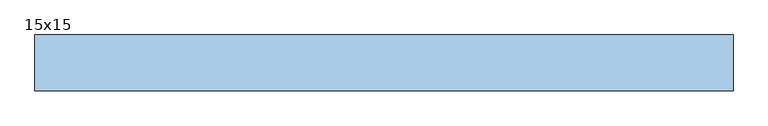
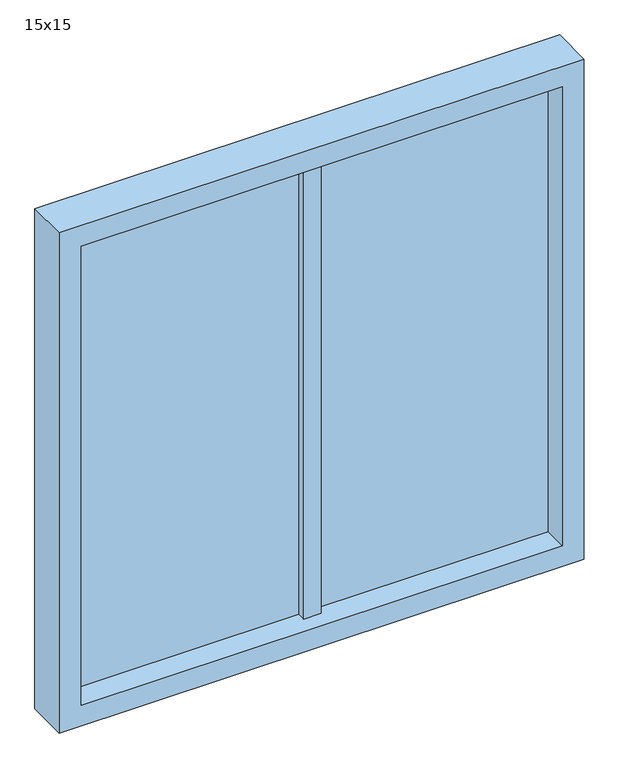
"""IFC4 building model written with IfcOpenShell, lengths in millimetres: window geometry, 15x15."""

from ifc_helpers import new_model, si_unit, frame, origin, place, context, project, spatial, polyline, outline, extrude, source, transform, mapped, element, save


def window_15x15_69924a45(model_context):
    return source(origin(), model_context, "Body", "SweptSolid", [
        extrude(outline(polyline([(25.0, 108.0), (687.5, 108.0), (687.5, 78.0), (25.0, 78.0), (25.0, 108.0)])), frame((0.0, 0.0, 862.5), z_axis=(0.0, 0.0, 1.0), x_axis=(1.0, 0.0, 0.0)), (0.0, 0.0, 1.0), 1385.0),
        extrude(outline(polyline([(-687.5, 108.0), (-25.0, 108.0), (-25.0, 78.0), (-687.5, 78.0), (-687.5, 108.0)])), frame((0.0, 0.0, 862.5), z_axis=(0.0, 0.0, 1.0), x_axis=(1.0, 0.0, 0.0)), (0.0, 0.0, 1.0), 1385.0),
        extrude(outline(polyline([(-25.0, 128.0), (25.0, 128.0), (25.0, 53.0), (-25.0, 53.0), (-25.0, 128.0)])), frame((0.0, 0.0, 862.5), z_axis=(0.0, 0.0, 1.0), x_axis=(1.0, 0.0, 0.0)), (0.0, 0.0, 1.0), 1385.0),
        extrude(outline(polyline([(2310.0, -750.0), (800.0, -750.0), (800.0, 750.0), (2310.0, 750.0), (2310.0, -750.0)]), holes=[polyline([(2247.5, -687.5), (2247.5, 687.5), (862.5, 687.5), (862.5, -687.5), (2247.5, -687.5)])]), frame((0.0, 8.0, 0.0), z_axis=(0.0, 1.0, 0.0), x_axis=(0.0, 0.0, 1.0)), (0.0, 0.0, 1.0), 120.0),
    ])


if __name__ == "__main__":
    model = new_model("IFC4")
    model_context = context("Model", 3, world=origin())
    ifc_project = project(units=[si_unit("LENGTHUNIT", "METRE", prefix="MILLI")], contexts=[model_context])
    site = spatial("IfcSite", under=ifc_project)
    building = spatial("IfcBuilding", under=site)
    placement = place(None, origin())
    window_15x15_shape = window_15x15_69924a45(model_context)
    element("IfcWindow", 1, ObjectType="15x15", at=placement, inside=building, context=model_context, shape_type="MappedRepresentation", body=[
        mapped(window_15x15_shape, transform((0.0, 0.0, 0.0), x_axis=(1.0, 0.0, 0.0), y_axis=(0.0, 1.0, 0.0), z_axis=(0.0, 0.0, 1.0))),
    ])
    save(model, "model.ifc")
